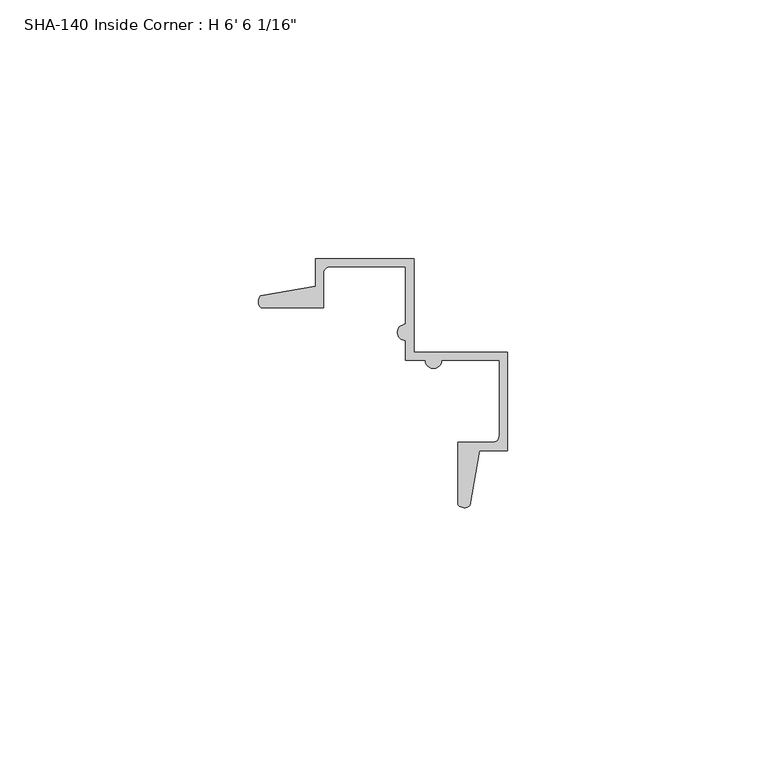
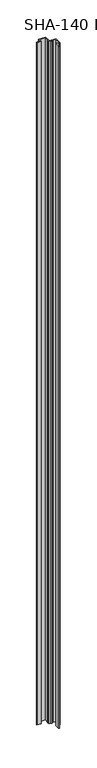
"""IFC4 building model written with IfcOpenShell, lengths in millimetres: proxy geometry."""

from ifc_helpers import new_model, si_unit, point, frame_2d, origin, origin_with_axes, place, context, project, spatial, polyline, circle_curve, trimmed, segment, composite_curve, outline, extrude, source, transform, mapped, element, save


def proxy_5837711b(model_context):
    return source(origin(), model_context, "Body", "SweptSolid", [
        extrude(outline(composite_curve([segment(polyline([(22.5074749, -10.2039449), (22.5074749, 4.4010551), (14.5572749, 4.4010551), (11.3695749, 4.4010551)]), True, "CONTINUOUS"), segment(trimmed(circle_curve(frame_2d((9.7947749, 4.4010551)), 1.5748), [point((11.3695749, 4.4010551))], [point((8.2199749, 4.4010551))], False, "CARTESIAN"), True, "CONTINUOUS"), segment(polyline([(8.2199749, 4.4010551), (4.3972749, 4.4010551), (4.3972749, 8.2237551)]), True, "CONTINUOUS"), segment(trimmed(circle_curve(frame_2d((4.3972749, 9.7985551)), 1.5748), [point((4.3972749, 8.2237551))], [point((4.3972749, 11.3733551))], False, "CARTESIAN"), True, "CONTINUOUS"), segment(polyline([(4.3972749, 11.3733551), (4.3972749, 14.5610551), (4.3972749, 22.5112551), (-10.2077251, 22.5112551)]), True, "CONTINUOUS"), segment(trimmed(circle_curve(frame_2d((-10.2077251, 21.2412551)), 1.27), [point((-10.2077251, 22.5112551))], [point((-11.4777251, 21.2412551))], True, "CARTESIAN"), True, "CONTINUOUS"), segment(polyline([(-11.4777251, 21.2412551), (-11.4777251, 14.5610551), (-23.5625282, 14.5610551)]), True, "CONTINUOUS"), segment(trimmed(circle_curve(frame_2d((-22.4717705, 15.7537316)), 1.6162393), [point((-23.5625282, 14.5610551))], [point((-23.628612, 16.8824244))], False, "CARTESIAN"), True, "CONTINUOUS"), segment(polyline([(-23.628612, 16.8824244), (-13.0525251, 18.6933982), (-13.0525251, 24.0860551), (5.9720749, 24.0860551), (5.9720749, 5.9758551), (24.0822749, 5.9758551), (24.0822749, -13.0487449), (18.689618, -13.0487449), (16.8786442, -23.6248318)]), True, "CONTINUOUS"), segment(trimmed(circle_curve(frame_2d((15.7499514, -22.4679903)), 1.6162393), [point((16.8786442, -23.6248318))], [point((14.5572749, -23.558748))], False, "CARTESIAN"), True, "CONTINUOUS"), segment(polyline([(14.5572749, -23.558748), (14.5572749, -11.4739449), (21.2374749, -11.4739449)]), True, "CONTINUOUS"), segment(trimmed(circle_curve(frame_2d((21.2374749, -10.2039449)), 1.27), [point((21.2374749, -11.4739449))], [point((22.5074749, -10.2039449))], True, "CARTESIAN"), True, "CONTINUOUS")], self_intersect=False)), origin_with_axes(), (0.0, 0.0, 1.0), 1982.7875),
    ])


if __name__ == "__main__":
    model = new_model("IFC4")
    model_context = context("Model", 3, world=origin())
    ifc_project = project(units=[si_unit("LENGTHUNIT", "METRE", prefix="MILLI")], contexts=[model_context])
    site = spatial("IfcSite", under=ifc_project)
    building = spatial("IfcBuilding", under=site)
    placement = place(None, origin())
    proxy_shape = proxy_5837711b(model_context)
    element("IfcBuildingElementProxy", 1, Name="SHA-140 Inside Corner : H 6' 6 1/16\"", ObjectType="SHA-140 Inside Corner : H 6' 6 1/16\"", at=placement, inside=building, context=model_context, shape_type="MappedRepresentation", body=[
        mapped(proxy_shape, transform((0.0, 0.0, 0.0), x_axis=(1.0, 0.0, 0.0), y_axis=(0.0, 1.0, 0.0), z_axis=(0.0, 0.0, 1.0))),
    ])
    save(model, "model.ifc")
